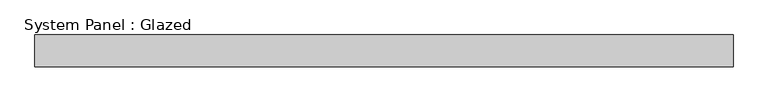
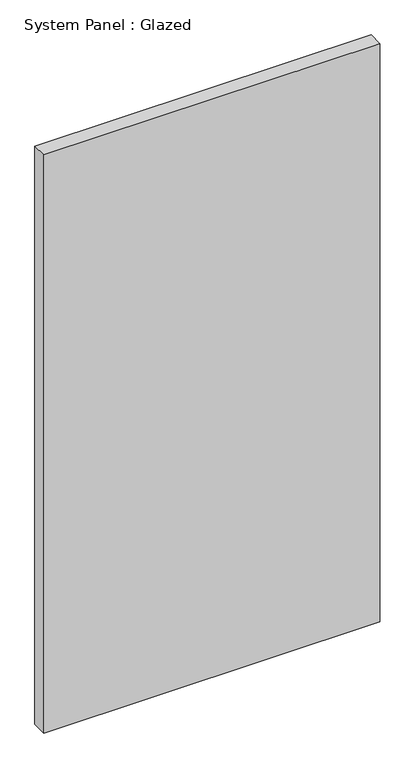
"""IFC4 building model written with IfcOpenShell, lengths in millimetres: plate geometry, System Panel : Glazed."""

from ifc_helpers import new_model, si_unit, origin, origin_with_axes, place, context, project, spatial, polyline, outline, extrude, source, transform, mapped, element, save


def system_panel_glazed_6e2394bd(model_context):
    return source(origin(), model_context, "Body", "SweptSolid", [
        extrude(outline(polyline([(1100.0, 50.0), (-1100.0, 50.0), (-1100.0, 150.0), (1100.0, 150.0), (1100.0, 50.0)])), origin_with_axes(), (0.0, 0.0, 1.0), 4000.0),
    ])


if __name__ == "__main__":
    model = new_model("IFC4")
    model_context = context("Model", 3, world=origin())
    ifc_project = project(units=[si_unit("LENGTHUNIT", "METRE", prefix="MILLI")], contexts=[model_context])
    site = spatial("IfcSite", under=ifc_project)
    building = spatial("IfcBuilding", under=site)
    placement = place(None, origin())
    system_panel_glazed_shape = system_panel_glazed_6e2394bd(model_context)
    element("IfcPlate", 1, ObjectType="System Panel : Glazed", at=placement, inside=building, context=model_context, shape_type="MappedRepresentation", body=[
        mapped(system_panel_glazed_shape, transform((0.0, 0.0, 0.0), x_axis=(1.0, 0.0, 0.0), y_axis=(0.0, 1.0, 0.0), z_axis=(0.0, 0.0, 1.0))),
    ])
    save(model, "model.ifc")
